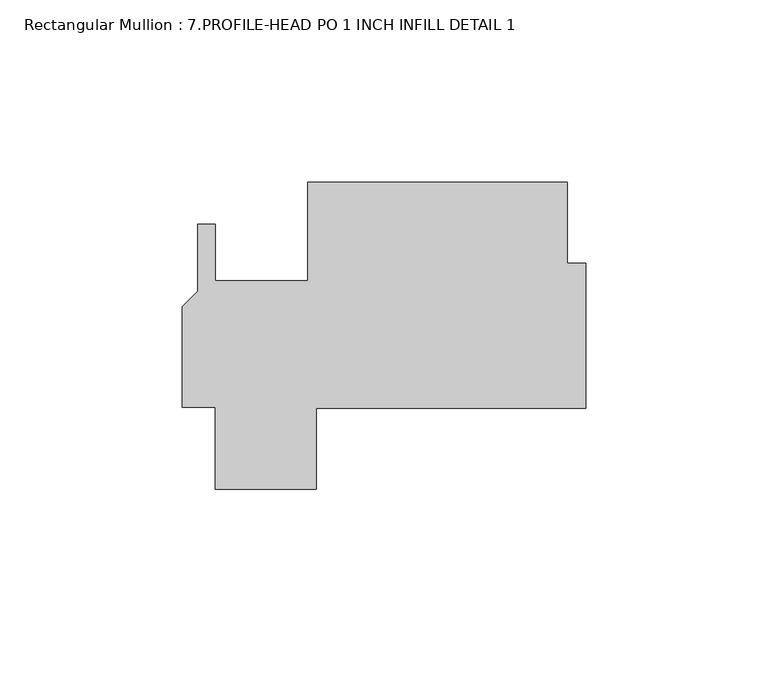
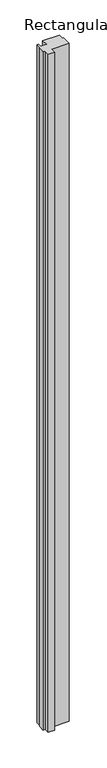
"""IFC4 building model written with IfcOpenShell, lengths in millimetres: member geometry, Rectangular Mullion : 7.PROFILE-HEAD PO 1 INCH INFILL DETAIL 1."""

from ifc_helpers import new_model, si_unit, frame, origin, place, context, project, spatial, polyline, outline, extrude, source, transform, mapped, element, save


def rectangular_mullion_7_profile_head_po_1_inch_infill_detail_1_29b854c4(model_context):
    return source(origin(), model_context, "Body", "SweptSolid", [
        extrude(outline(polyline([(-106.299, 82.1761495), (-101.5999999, 82.1761495), (-101.5999999, 66.6750005), (-76.2, 66.6750005), (-76.2, 93.6625), (-5.08, 93.6625), (-5.08, 71.4375), (0.0, 71.4375), (0.0, 31.75), (-73.8838657, 31.75), (-73.8838657, 9.5316892), (-101.6007939, 9.5316892), (-101.6007939, 31.9881351), (-110.5662, 31.9881351), (-110.5662, 59.5264417), (-106.299, 63.7936417), (-106.299, 82.1761495)])), frame((0.0, 0.0, -3048.0), z_axis=(0.0, 0.0, 1.0), x_axis=(1.0, 0.0, 0.0)), (0.0, 0.0, 1.0), 3048.0),
    ])


if __name__ == "__main__":
    model = new_model("IFC4")
    model_context = context("Model", 3, world=origin())
    ifc_project = project(units=[si_unit("LENGTHUNIT", "METRE", prefix="MILLI")], contexts=[model_context])
    site = spatial("IfcSite", under=ifc_project)
    building = spatial("IfcBuilding", under=site)
    placement = place(None, origin())
    rectangular_mullion_7_profile_head_po_1_inch_infill_detail_1_shape = rectangular_mullion_7_profile_head_po_1_inch_infill_detail_1_29b854c4(model_context)
    element("IfcMember", 1, ObjectType="Rectangular Mullion : 7.PROFILE-HEAD PO 1 INCH INFILL DETAIL 1", at=placement, inside=building, context=model_context, shape_type="MappedRepresentation", body=[
        mapped(rectangular_mullion_7_profile_head_po_1_inch_infill_detail_1_shape, transform((0.0, 0.0, 0.0), x_axis=(1.0, 0.0, 0.0), y_axis=(0.0, 1.0, 0.0), z_axis=(0.0, 0.0, 1.0))),
    ])
    save(model, "model.ifc")
